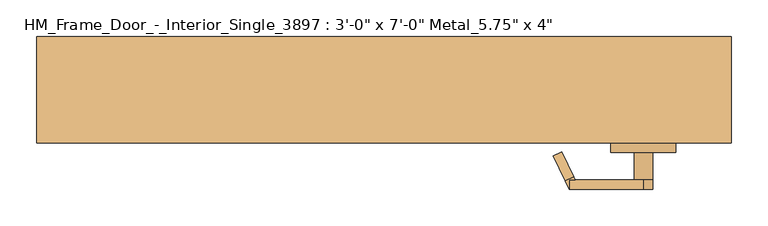
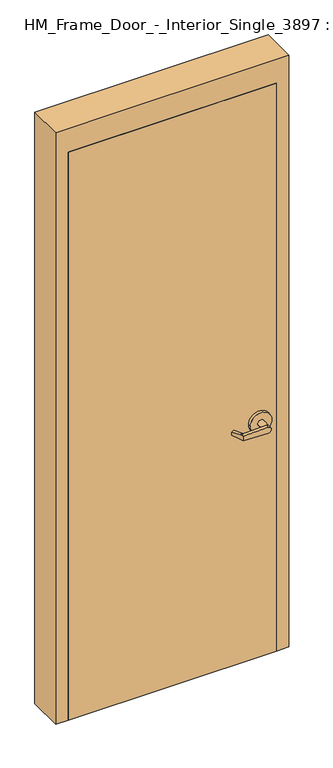
"""IFC4 building model written with IfcOpenShell, lengths in millimetres: door geometry."""

import ifcopenshell
import ifcopenshell.guid

model = None  # the IFC model being written
_history = None  # IfcOwnerHistory: only IFC2X3 demands one
_inside = {}  # id of a spatial element -> (the spatial element, [elements in it])
_under = {}  # id of a project, library or spatial element -> (it, [spatial elements below it])
_declared = {}  # id of a project -> (the project, [libraries it declares])
_typed = {}  # id of a type object -> (the type object, [elements of that type])
_made_of = {}  # id of a material, layer set ... -> (it, [elements and type objects made of it])


def new_model(schema):
    """Start an empty IFC model of exactly this schema.

    Asked for "IFC4X3", IfcOpenShell would pick the latest addendum, in which some entities
    have other attributes; the version numbers below select the first issue.
    IFC2X3 requires an IfcOwnerHistory on every rooted entity: one is made here for all.
    """
    global model, _history
    if schema == "IFC4X3":
        model = ifcopenshell.file(schema_version=(4, 3, 0, 0))
    else:
        model = ifcopenshell.file(schema=schema)
    _inside.clear()
    _under.clear()
    _declared.clear()
    _typed.clear()
    _made_of.clear()
    _history = None
    if model.schema == "IFC2X3":
        org = make("IfcOrganization", Name="unknown")
        user = make(
            "IfcPersonAndOrganization",
            ThePerson=make("IfcPerson", FamilyName="unknown"),
            TheOrganization=org,
        )
        app = make(
            "IfcApplication",
            ApplicationDeveloper=org,
            Version="unknown",
            ApplicationFullName="unknown",
            ApplicationIdentifier="unknown",
        )
        _history = make(
            "IfcOwnerHistory",
            OwningUser=user,
            OwningApplication=app,
            ChangeAction="ADDED",
            CreationDate=0,
        )
    return model


def make(cls, **values):
    """One entity of the class cls with the attributes given. An attribute that is None is left unset."""
    return model.create_entity(
        cls, **{name: value for name, value in values.items() if value is not None}
    )


def rooted(cls, **values):
    """An entity with a GlobalId (a new one), such as an element, a storey or a relation."""
    return make(cls, GlobalId=ifcopenshell.guid.new(), OwnerHistory=_history, **values)


def si_unit(unit_type, name, prefix=None):
    """IfcSIUnit, for example si_unit("LENGTHUNIT", "METRE", prefix="MILLI")."""
    return make("IfcSIUnit", UnitType=unit_type, Prefix=prefix, Name=name)


def assignment(units):
    """IfcUnitAssignment: the units of a project."""
    return None if units is None else make("IfcUnitAssignment", Units=units)


def point(xyz):
    """IfcCartesianPoint."""
    return None if xyz is None else make("IfcCartesianPoint", Coordinates=xyz)


def direction(xyz):
    """IfcDirection."""
    return None if xyz is None else make("IfcDirection", DirectionRatios=xyz)


def frame(location, z_axis=None, x_axis=None):
    """IfcAxis2Placement3D, a coordinate frame: its origin and axes. An axis left out is left unset."""
    return make(
        "IfcAxis2Placement3D",
        Location=point(location),
        Axis=direction(z_axis),
        RefDirection=direction(x_axis),
    )


def origin():
    """The frame at (0, 0, 0) with its axes left unset."""
    return frame((0.0, 0.0, 0.0))


def origin_with_axes():
    """The frame at (0, 0, 0) with the z axis (0, 0, 1) and the x axis (1, 0, 0) written out."""
    return frame((0.0, 0.0, 0.0), z_axis=(0.0, 0.0, 1.0), x_axis=(1.0, 0.0, 0.0))


def place(relative_to, where):
    """IfcLocalPlacement: puts the frame where relative to a parent placement (None: the world)."""
    return make(
        "IfcLocalPlacement", PlacementRelTo=relative_to, RelativePlacement=where
    )


def context(
    kind, dimensions, precision=None, world=None, true_north=None, identifier=None
):
    """IfcGeometricRepresentationContext, for example the 3D "Model" context."""
    return make(
        "IfcGeometricRepresentationContext",
        ContextIdentifier=identifier,
        ContextType=kind,
        CoordinateSpaceDimension=dimensions,
        Precision=precision,
        WorldCoordinateSystem=world,
        TrueNorth=true_north,
    )


def project(units=None, contexts=None):
    """IfcProject with its units and contexts."""
    return rooted(
        "IfcProject",
        Name="project",
        RepresentationContexts=contexts,
        UnitsInContext=assignment(units),
    )


def spatial(cls, under=None, at=None, **own):
    """A site, building, storey or space (cls), placed at a placement, below another one or the project."""
    s = rooted(cls, ObjectPlacement=at, **own)
    if under is not None:
        _under.setdefault(under.id(), (under, []))[1].append(s)
    return s


def polyline(points):
    """IfcPolyline through the points."""
    return make("IfcPolyline", Points=[point(p) for p in points])


def circle_curve(where, radius):
    """IfcCircle in the frame where."""
    return make("IfcCircle", Position=where, Radius=radius)


def outline(outer, holes=None, kind="AREA"):
    """IfcArbitraryClosedProfileDef: a profile drawn as a closed curve; with holes, ...WithVoids."""
    if holes is None:
        return make("IfcArbitraryClosedProfileDef", ProfileType=kind, OuterCurve=outer)
    return make(
        "IfcArbitraryProfileDefWithVoids",
        ProfileType=kind,
        OuterCurve=outer,
        InnerCurves=holes,
    )


def extrude(swept, where, along, depth):
    """IfcExtrudedAreaSolid: the profile swept, set in the frame where, extruded along a direction by depth."""
    return make(
        "IfcExtrudedAreaSolid",
        SweptArea=swept,
        Position=where,
        ExtrudedDirection=direction(along),
        Depth=depth,
    )


def faces_of(points, faces, orient=None, outer=None):
    """IfcFace entities. A face is a list of loops; a loop is a list of indices into points, from 0.

    orient and outer hold one flag for each loop. By default every Orientation is true, the
    first loop of a face is its IfcFaceOuterBound and the others are IfcFaceBound.
    """
    made = []
    for i, loops in enumerate(faces):
        bounds = []
        for j, loop in enumerate(loops):
            is_outer = j == 0 if outer is None else outer[i][j]
            bounds.append(
                make(
                    "IfcFaceOuterBound" if is_outer else "IfcFaceBound",
                    Bound=make("IfcPolyLoop", Polygon=[points[k] for k in loop]),
                    Orientation=True if orient is None else orient[i][j],
                )
            )
        made.append(make("IfcFace", Bounds=bounds))
    return made


def faceted_brep(points, faces, orient=None, outer=None, voids=None):
    """IfcFacetedBrep: a solid bounded by flat faces; with voids (closed shells), ...WithVoids."""
    shared = [point(p) for p in points]
    hull = make("IfcClosedShell", CfsFaces=faces_of(shared, faces, orient, outer))
    if voids is None:
        return make("IfcFacetedBrep", Outer=hull)
    return make(
        "IfcFacetedBrepWithVoids",
        Outer=hull,
        Voids=[
            make(cls, CfsFaces=faces_of(shared, fs, o, b)) for cls, fs, o, b in voids
        ],
    )


def shape(context_of_items, identifier, shape_type, items):
    """IfcShapeRepresentation: the items that make up one representation, for example the "Body"."""
    return make(
        "IfcShapeRepresentation",
        ContextOfItems=context_of_items,
        RepresentationIdentifier=identifier,
        RepresentationType=shape_type,
        Items=items,
    )


def source(mapping_origin, context_of_items, identifier, shape_type, items):
    """IfcRepresentationMap: a shape defined once, which mapped items show again and again."""
    return make(
        "IfcRepresentationMap",
        MappingOrigin=mapping_origin,
        MappedRepresentation=shape(context_of_items, identifier, shape_type, items),
    )


def transform(
    local_origin,
    x_axis=None,
    y_axis=None,
    z_axis=None,
    scale=None,
    scale2=None,
    scale3=None,
    uniform=True,
):
    """IfcCartesianTransformationOperator3D, or its non-uniform kind. x_axis, y_axis, z_axis: its Axis1, 2, 3."""
    if uniform:
        return make(
            "IfcCartesianTransformationOperator3D",
            Axis1=direction(x_axis),
            Axis2=direction(y_axis),
            LocalOrigin=point(local_origin),
            Scale=scale,
            Axis3=direction(z_axis),
        )
    return make(
        "IfcCartesianTransformationOperator3DnonUniform",
        Axis1=direction(x_axis),
        Axis2=direction(y_axis),
        LocalOrigin=point(local_origin),
        Scale=scale,
        Axis3=direction(z_axis),
        Scale2=scale2,
        Scale3=scale3,
    )


def mapped(mapping_source, mapping_target):
    """IfcMappedItem: shows the shape of a source again, moved by a transform."""
    return make(
        "IfcMappedItem", MappingSource=mapping_source, MappingTarget=mapping_target
    )


def made_of(thing, what):
    """Note that an element or type object is made of a material, layer set ...; save() writes the relation."""
    if what is not None:
        _made_of.setdefault(what.id(), (what, []))[1].append(thing)
    return thing


def element(
    cls,
    number,
    at=None,
    inside=None,
    cuts=None,
    type_object=None,
    material=None,
    context=None,
    identifier="Body",
    shape_type=None,
    held_by="IfcProductDefinitionShape",
    body=None,
    shapes=None,
    **own,
):
    """One element of the class cls, such as IfcWall. Its Tag is "e" and its number.

    at: its placement. inside: the storey or other place that contains it. cuts: it is an
    opening in that element (IfcRelVoidsElement). A single representation is given by context,
    identifier, shape_type and body (its items); several are given by shapes. held_by: the class
    of the entity that holds the representations. save() writes the other relations.
    """
    e = rooted(cls, Tag="e%d" % number, ObjectPlacement=at, **own)
    if body is not None:
        shapes = [shape(context, identifier, shape_type, body)]
    if shapes is not None:
        e.Representation = make(held_by, Representations=shapes)
    if inside is not None:
        _inside.setdefault(inside.id(), (inside, []))[1].append(e)
    if cuts is not None:
        rooted(
            "IfcRelVoidsElement", RelatingBuildingElement=cuts, RelatedOpeningElement=e
        )
    if type_object is not None:
        _typed.setdefault(type_object.id(), (type_object, []))[1].append(e)
    return made_of(e, material)


def aggregate(whole, parts):
    """IfcRelAggregates: a whole, such as a stair, and the parts it consists of."""
    return rooted("IfcRelAggregates", RelatingObject=whole, RelatedObjects=parts)


def save(model, path):
    """Write the relations noted so far, then the file.

    IfcRelAggregates (storeys below a building ...), IfcRelContainedInSpatialStructure (elements
    in a storey), IfcRelDefinesByType, IfcRelAssociatesMaterial and IfcRelDeclares: one each for
    every whole, place, type object, material and project.
    """
    for whole, parts in _under.values():
        aggregate(whole, parts)
    for where, things in _inside.values():
        rooted(
            "IfcRelContainedInSpatialStructure",
            RelatedElements=things,
            RelatingStructure=where,
        )
    for kind, things in _typed.values():
        rooted("IfcRelDefinesByType", RelatedObjects=things, RelatingType=kind)
    for what, things in _made_of.values():
        rooted("IfcRelAssociatesMaterial", RelatedObjects=things, RelatingMaterial=what)
    for by, libraries in _declared.values():
        rooted("IfcRelDeclares", RelatingContext=by, RelatedDefinitions=libraries)
    model.write(path)


def plane_surface(at):
    """IfcPlane: the flat surface through the origin of the frame at, square to its z axis."""
    return make("IfcPlane", Position=at)


def cylinder_surface(at, radius):
    """IfcCylindricalSurface: all points at the distance radius from the z axis of the frame at."""
    return make("IfcCylindricalSurface", Position=at, Radius=radius)


def advanced_brep(points, edges, surfaces, faces):
    """IfcAdvancedBrep: a solid bounded by faces that lie on surfaces and meet in shared edges.

    An edge is (start, end): straight between two places in points (the first is 0);
    or (start, end, curve); or (start, end, curve, False) where it runs against its curve.
    A face is (place in surfaces, loops), or (place, loops, False) where it looks against
    its surface's normal. A loop lists edges by number (the first is 1), with a minus sign
    where the edge is run from its end to its start. The first loop is the outer one.
    """
    corners = [point(p) for p in points]
    vertices = [make("IfcVertexPoint", VertexGeometry=c) for c in corners]
    made = []
    for start, end, *more in edges:
        made.append(
            make(
                "IfcEdgeCurve",
                EdgeStart=vertices[start],
                EdgeEnd=vertices[end],
                EdgeGeometry=more[0] if more else make("IfcPolyline", Points=[corners[start], corners[end]]),
                SameSense=more[1] if len(more) > 1 else True,
            )
        )
    hull = []
    for where, loops, *sense in faces:
        bounds = []
        for j, loop in enumerate(loops):
            ring = [make("IfcOrientedEdge", EdgeElement=made[abs(k) - 1], Orientation=k > 0) for k in loop]
            bounds.append(
                make(
                    "IfcFaceOuterBound" if j == 0 else "IfcFaceBound",
                    Bound=make("IfcEdgeLoop", EdgeList=ring),
                    Orientation=True,
                )
            )
        hull.append(make("IfcAdvancedFace", Bounds=bounds, FaceSurface=surfaces[where], SameSense=sense[0] if sense else True))
    return make("IfcAdvancedBrep", Outer=make("IfcClosedShell", CfsFaces=hull))


def door_a8110ece(model_context):
    return source(origin(), model_context, "Body", "SolidModel", [
        advanced_brep(
        [(259.692857, 18.0476392, 1006.475), (261.6407923, 22.225, 1006.475), (261.6407923, 22.225, 1025.525), (259.692857, 18.0476392, 1025.525), (243.5911012, -16.4826875, 1022.35), (243.5911012, -16.4826875, 1009.65), (253.55, 34.925, 1025.525), (253.55, 34.925, 1006.475), (248.1827481, 23.4148911, 1006.475), (232.0809923, -11.1154356, 1009.65), (232.0809923, -11.1154356, 1022.35), (248.1827481, 23.4148911, 1025.525), (253.55, 22.225, 1006.475), (253.55, 22.225, 1025.525), (354.7525418, 34.925, 1028.6937791), (354.7525418, 34.925, 1003.3062209), (354.7525418, 22.225, 1003.3062209), (342.45, 22.225, 1016.0), (354.7525418, 22.225, 1028.6937791), (367.85, 22.225, 1016.0), (342.45, -15.875, 1016.0), (367.85, -15.875, 1016.0), (399.6, -15.875, 1016.0), (310.7, -15.875, 1016.0), (399.6, -28.575, 1016.0), (310.7, -28.575, 1016.0)],
        [
            (0, 1),
            (1, 2),
            (2, 3),
            (3, 4),
            (4, 5),
            (5, 0),
            (6, 7),
            (7, 8),
            (8, 9),
            (9, 10),
            (10, 11),
            (11, 6),
            (7, 12),
            (12, 1),
            (0, 8),
            (5, 9),
            (4, 10),
            (3, 11),
            (2, 13),
            (13, 6),
            (6, 14),
            (14, 15, circle_curve(frame((355.15, 34.925, 1016.0), z_axis=(0.0, 1.0, 0.0), x_axis=(-1.0, 0.0, 0.0)), 12.7)),
            (15, 7),
            (12, 16),
            (16, 17, circle_curve(frame((355.15, 22.225, 1016.0), z_axis=(0.0, 1.0, 0.0), x_axis=(-1.0, 0.0, 0.0)), 12.7)),
            (17, 18, circle_curve(frame((355.15, 22.225, 1016.0), z_axis=(0.0, 1.0, 0.0), x_axis=(-1.0, 0.0, 0.0)), 12.7)),
            (18, 13),
            (15, 16),
            (14, 18),
            (18, 19, circle_curve(frame((355.15, 22.225, 1016.0), z_axis=(0.0, 1.0, 0.0), x_axis=(-1.0, 0.0, 0.0)), 12.7)),
            (19, 16, circle_curve(frame((355.15, 22.225, 1016.0), z_axis=(0.0, 1.0, 0.0), x_axis=(-1.0, 0.0, 0.0)), 12.7)),
            (17, 20),
            (20, 21, circle_curve(frame((355.15, -15.875, 1016.0), z_axis=(0.0, 1.0, 0.0), x_axis=(-1.0, 0.0, 0.0)), 12.7)),
            (21, 19),
            (21, 20, circle_curve(frame((355.15, -15.875, 1016.0), z_axis=(0.0, 1.0, 0.0), x_axis=(-1.0, 0.0, 0.0)), 12.7)),
            (22, 23, circle_curve(frame((355.15, -15.875, 1016.0), z_axis=(0.0, 1.0, 0.0), x_axis=(-1.0, 0.0, 0.0)), 44.45)),
            (23, 22, circle_curve(frame((355.15, -15.875, 1016.0), z_axis=(0.0, 1.0, 0.0), x_axis=(-1.0, 0.0, 0.0)), 44.45)),
            (24, 25, circle_curve(frame((355.15, -28.575, 1016.0), z_axis=(0.0, -1.0, 0.0), x_axis=(-1.0, 0.0, 0.0)), 44.45)),
            (25, 24, circle_curve(frame((355.15, -28.575, 1016.0), z_axis=(0.0, -1.0, 0.0), x_axis=(-1.0, 0.0, 0.0)), 44.45)),
            (23, 25),
            (24, 22),
        ],
        [
            plane_surface(frame((265.0601089, 29.5577481, 1006.475), z_axis=(0.9063077870366494, -0.4226182617407007, 0.0), x_axis=(0.0, 0.0, -1.0))),
            plane_surface(frame((253.55, 34.925, 1006.475), z_axis=(-0.9063077870366494, 0.4226182617407007, 0.0), x_axis=(0.0, 0.0, 1.0))),
            plane_surface(frame((265.0601089, 29.5577481, 1006.475), z_axis=(0.0, 0.0, -1.0000000000000002), x_axis=(-0.9063077870366494, 0.42261826174070094, 0.0))),
            plane_surface(frame((259.692857, 18.0476392, 1006.475), z_axis=(-0.035096536341209586, -0.07526476506963879, -0.9965457582448799), x_axis=(-0.9063077870366494, 0.42261826174070094, 0.0))),
            plane_surface(frame((243.5911012, -16.4826875, 1009.65), z_axis=(-0.42261826174070094, -0.9063077870366494, 0.0), x_axis=(-0.9063077870366494, 0.42261826174070094, 0.0))),
            plane_surface(frame((243.5911012, -16.4826875, 1022.35), z_axis=(-0.03509653634121044, -0.07526476506964089, 0.9965457582448796), x_axis=(-0.9063077870366495, 0.42261826174070033, 0.0))),
            plane_surface(frame((259.692857, 18.0476392, 1025.525), z_axis=(0.0, 0.0, 1.0000000000000002), x_axis=(-0.9063077870366494, 0.42261826174070094, 0.0))),
            plane_surface(frame((253.55, 34.925, 1006.475), z_axis=(0.0, 1.0, 0.0), x_axis=(0.9995101626549141, 0.0, -0.03129592225110647))),
            plane_surface(frame((253.55, 22.225, 1006.475), z_axis=(0.0, -1.0, 0.0), x_axis=(-0.9995101626549141, 0.0, 0.03129592225110647))),
            plane_surface(frame((253.55, 34.925, 1006.475), z_axis=(-0.03129592225110647, 0.0, -0.9995101626549141), x_axis=(0.0, -1.0, 0.0))),
            cylinder_surface(frame((355.15, 22.225, 1016.0), z_axis=(0.0, 1.0, 0.0), x_axis=(-1.0, 0.0, 0.0)), 12.7),
            plane_surface(frame((354.7525418, 34.925, 1028.6937791), z_axis=(-0.03129592225110282, 0.0, 0.9995101626549142), x_axis=(0.0, -1.0, 0.0))),
            cylinder_surface(frame((355.15, -15.875, 1016.0), z_axis=(0.0, 1.0, 0.0), x_axis=(-1.0, 0.0, 0.0)), 12.7),
            plane_surface(frame((310.7, -15.875, 1016.0), z_axis=(0.0, 1.0, 0.0), x_axis=(0.0, 0.0, -1.0))),
            plane_surface(frame((310.7, -28.575, 1016.0), z_axis=(0.0, -1.0, 0.0), x_axis=(0.0, 0.0, 1.0))),
            cylinder_surface(frame((355.15, -28.575, 1016.0), z_axis=(0.0, 1.0, 0.0), x_axis=(-1.0, 0.0, 0.0)), 44.45),
        ],
        [
            (0, [[1, 2, 3, 4, 5, 6]]),
            (1, [[7, 8, 9, 10, 11, 12]]),
            (2, [[13, 14, -1, 15, -8]]),
            (3, [[16, -9, -15, -6]]),
            (4, [[17, -10, -16, -5]]),
            (5, [[18, -11, -17, -4]]),
            (6, [[-18, -3, 19, 20, -12]]),
            (7, [[-7, 21, 22, 23]]),
            (8, [[-19, -2, -14, 24, 25, 26, 27]]),
            (9, [[28, -24, -13, -23]]),
            (10, [[29, 30, 31, -28, -22]]),
            (11, [[-20, -27, -29, -21]]),
            (12, [[-30, -26, 32, 33, 34]]),
            (12, [[35, -32, -25, -31, -34]]),
            (13, [[36, 37], [-35, -33]]),
            (14, [[38, 39]]),
            (15, [[40, -38, 41, -37]]),
            (15, [[-41, -39, -40, -36]]),
        ],
    ),
        advanced_brep(
        [(259.692857, -119.6476392, 1025.525), (261.6407923, -123.825, 1025.525), (261.6407923, -123.825, 1006.475), (259.692857, -119.6476392, 1006.475), (243.5911012, -85.1173125, 1009.65), (243.5911012, -85.1173125, 1022.35), (253.55, -136.525, 1006.475), (253.55, -136.525, 1025.525), (248.1827481, -125.0148911, 1025.525), (232.0809923, -90.4845644, 1022.35), (232.0809923, -90.4845644, 1009.65), (248.1827481, -125.0148911, 1006.475), (253.55, -123.825, 1025.525), (253.55, -123.825, 1006.475), (354.7525418, -136.525, 1003.3062209), (354.7525418, -136.525, 1028.6937791), (354.7525418, -123.825, 1028.6937791), (342.45, -123.825, 1016.0), (354.7525418, -123.825, 1003.3062209), (367.85, -123.825, 1016.0), (342.45, -85.725, 1016.0), (367.85, -85.725, 1016.0), (399.6, -85.725, 1016.0), (310.7, -85.725, 1016.0), (399.6, -73.025, 1016.0), (310.7, -73.025, 1016.0)],
        [
            (0, 1),
            (1, 2),
            (2, 3),
            (3, 4),
            (4, 5),
            (5, 0),
            (6, 7),
            (7, 8),
            (8, 9),
            (9, 10),
            (10, 11),
            (11, 6),
            (7, 12),
            (12, 1),
            (0, 8),
            (5, 9),
            (4, 10),
            (3, 11),
            (2, 13),
            (13, 6),
            (6, 14),
            (14, 15, circle_curve(frame((355.15, -136.525, 1016.0), z_axis=(0.0, -1.0, 0.0), x_axis=(-1.0, 0.0, 0.0)), 12.7)),
            (15, 7),
            (12, 16),
            (16, 17, circle_curve(frame((355.15, -123.825, 1016.0), z_axis=(0.0, -1.0, 0.0), x_axis=(-1.0, 0.0, 0.0)), 12.7)),
            (17, 18, circle_curve(frame((355.15, -123.825, 1016.0), z_axis=(0.0, -1.0, 0.0), x_axis=(-1.0, 0.0, 0.0)), 12.7)),
            (18, 13),
            (15, 16),
            (14, 18),
            (18, 19, circle_curve(frame((355.15, -123.825, 1016.0), z_axis=(0.0, -1.0, 0.0), x_axis=(-1.0, 0.0, 0.0)), 12.7)),
            (19, 16, circle_curve(frame((355.15, -123.825, 1016.0), z_axis=(0.0, -1.0, 0.0), x_axis=(-1.0, 0.0, 0.0)), 12.7)),
            (17, 20),
            (20, 21, circle_curve(frame((355.15, -85.725, 1016.0), z_axis=(0.0, -1.0, 0.0), x_axis=(-1.0, 0.0, 0.0)), 12.7)),
            (21, 19),
            (21, 20, circle_curve(frame((355.15, -85.725, 1016.0), z_axis=(0.0, -1.0, 0.0), x_axis=(-1.0, 0.0, 0.0)), 12.7)),
            (22, 23, circle_curve(frame((355.15, -85.725, 1016.0), z_axis=(0.0, -1.0, 0.0), x_axis=(-1.0, 0.0, 0.0)), 44.45)),
            (23, 22, circle_curve(frame((355.15, -85.725, 1016.0), z_axis=(0.0, -1.0, 0.0), x_axis=(-1.0, 0.0, 0.0)), 44.45)),
            (24, 25, circle_curve(frame((355.15, -73.025, 1016.0), z_axis=(0.0, 1.0, 0.0), x_axis=(-1.0, 0.0, 0.0)), 44.45)),
            (25, 24, circle_curve(frame((355.15, -73.025, 1016.0), z_axis=(0.0, 1.0, 0.0), x_axis=(-1.0, 0.0, 0.0)), 44.45)),
            (23, 25),
            (24, 22),
        ],
        [
            plane_surface(frame((265.0601089, -131.1577481, 1025.525), z_axis=(0.9063077870366494, 0.4226182617407007, 0.0), x_axis=(0.0, 0.0, 1.0))),
            plane_surface(frame((253.55, -136.525, 1025.525), z_axis=(-0.9063077870366494, -0.4226182617407007, 0.0), x_axis=(0.0, 0.0, -1.0))),
            plane_surface(frame((265.0601089, -131.1577481, 1025.525), z_axis=(0.0, 0.0, 1.0000000000000002), x_axis=(-0.9063077870366494, -0.42261826174070094, 0.0))),
            plane_surface(frame((259.692857, -119.6476392, 1025.525), z_axis=(-0.03509653634120952, 0.07526476506963879, 0.9965457582448799), x_axis=(-0.9063077870366494, -0.42261826174070094, 0.0))),
            plane_surface(frame((243.5911012, -85.1173125, 1022.35), z_axis=(-0.42261826174070094, 0.9063077870366494, 0.0), x_axis=(-0.9063077870366494, -0.42261826174070094, 0.0))),
            plane_surface(frame((243.5911012, -85.1173125, 1009.65), z_axis=(-0.03509653634121051, 0.07526476506964089, -0.9965457582448796), x_axis=(-0.9063077870366495, -0.42261826174070033, 0.0))),
            plane_surface(frame((259.692857, -119.6476392, 1006.475), z_axis=(0.0, 0.0, -1.0000000000000002), x_axis=(-0.9063077870366494, -0.42261826174070094, 0.0))),
            plane_surface(frame((253.55, -136.525, 1025.525), z_axis=(0.0, -1.0, 0.0), x_axis=(0.9995101626549141, 0.0, 0.0312959222511064))),
            plane_surface(frame((253.55, -123.825, 1025.525), z_axis=(0.0, 1.0, 0.0), x_axis=(-0.9995101626549141, 0.0, -0.0312959222511064))),
            plane_surface(frame((253.55, -136.525, 1025.525), z_axis=(-0.0312959222511064, 0.0, 0.9995101626549141), x_axis=(0.0, 1.0, 0.0))),
            cylinder_surface(frame((355.15, -123.825, 1016.0), z_axis=(0.0, -1.0, 0.0), x_axis=(-1.0, 0.0, 0.0)), 12.7),
            plane_surface(frame((354.7525418, -136.525, 1003.3062209), z_axis=(-0.03129592225110289, 0.0, -0.9995101626549142), x_axis=(0.0, 1.0, 0.0))),
            cylinder_surface(frame((355.15, -85.725, 1016.0), z_axis=(0.0, -1.0, 0.0), x_axis=(-1.0, 0.0, 0.0)), 12.7),
            plane_surface(frame((310.7, -85.725, 1016.0), z_axis=(0.0, -1.0, 0.0), x_axis=(0.0, 0.0, 1.0))),
            plane_surface(frame((310.7, -73.025, 1016.0), z_axis=(0.0, 1.0, 0.0), x_axis=(0.0, 0.0, -1.0))),
            cylinder_surface(frame((355.15, -73.025, 1016.0), z_axis=(0.0, -1.0, 0.0), x_axis=(-1.0, 0.0, 0.0)), 44.45),
        ],
        [
            (0, [[1, 2, 3, 4, 5, 6]]),
            (1, [[7, 8, 9, 10, 11, 12]]),
            (2, [[13, 14, -1, 15, -8]]),
            (3, [[16, -9, -15, -6]]),
            (4, [[17, -10, -16, -5]]),
            (5, [[18, -11, -17, -4]]),
            (6, [[-18, -3, 19, 20, -12]]),
            (7, [[-7, 21, 22, 23]]),
            (8, [[-19, -2, -14, 24, 25, 26, 27]]),
            (9, [[28, -24, -13, -23]]),
            (10, [[29, 30, 31, -28, -22]]),
            (11, [[-20, -27, -29, -21]]),
            (12, [[-30, -26, 32, 33, 34]]),
            (12, [[35, -32, -25, -31, -34]]),
            (13, [[36, 37], [-35, -33]]),
            (14, [[38, 39]]),
            (15, [[40, -38, 41, -37]]),
            (15, [[-41, -39, -40, -36]]),
        ],
    ),
        extrude(outline(polyline([(-425.0, -73.025), (-425.0, -28.575), (425.0, -28.575), (425.0, -73.025), (-425.0, -73.025)])), origin_with_axes(), (0.0, 0.0, 1.0), 2450.0),
        faceted_brep([(-425.0, -73.025, 0.0), (-475.8, -73.025, 0.0), (-475.8, 73.025, 0.0), (-425.0, 73.025, 0.0), (-425.0, 28.575, 0.0), (-409.125, 28.575, 0.0), (-409.125, -28.575, 0.0), (-425.0, -28.575, 0.0), (-425.0, -28.575, 2450.0), (-425.0, -73.025, 2450.0), (-409.125, -28.575, 2434.125), (409.125, -28.575, 2434.125), (409.125, -28.575, 0.0), (425.0, -28.575, 0.0), (425.0, -28.575, 2450.0), (-409.125, 28.575, 2434.125), (-425.0, 28.575, 2450.0), (425.0, 28.575, 2450.0), (425.0, 28.575, 0.0), (409.125, 28.575, 0.0), (409.125, 28.575, 2434.125), (-425.0, 73.025, 2450.0), (-475.8, 73.025, 2551.6), (475.8, 73.025, 2551.6), (475.8, 73.025, 0.0), (425.0, 73.025, 0.0), (425.0, 73.025, 2450.0), (-475.8, -73.025, 2551.6), (425.0, -73.025, 2450.0), (425.0, -73.025, 0.0), (475.8, -73.025, 0.0), (475.8, -73.025, 2551.6)], [[[0, 1, 2, 3, 4, 5, 6, 7]], [[7, 8, 9, 0]], [[6, 10, 11, 12, 13, 14, 8, 7]], [[5, 15, 10, 6]], [[4, 16, 17, 18, 19, 20, 15, 5]], [[3, 21, 16, 4]], [[2, 22, 23, 24, 25, 26, 21, 3]], [[1, 27, 22, 2]], [[0, 9, 28, 29, 30, 31, 27, 1]], [[29, 28, 14, 13]], [[29, 13, 12, 19, 18, 25, 24, 30]], [[12, 11, 20, 19]], [[17, 26, 25, 18]], [[30, 24, 23, 31]], [[23, 22, 27, 31]], [[21, 26, 17, 16]], [[15, 20, 11, 10]], [[14, 28, 9, 8]]]),
    ])


if __name__ == "__main__":
    model = new_model("IFC4")
    model_context = context("Model", 3, world=origin())
    ifc_project = project(units=[si_unit("LENGTHUNIT", "METRE", prefix="MILLI")], contexts=[model_context])
    site = spatial("IfcSite", under=ifc_project)
    building = spatial("IfcBuilding", under=site)
    placement = place(None, origin())
    door_shape = door_a8110ece(model_context)
    element("IfcDoor", 1, ObjectType="HM_Frame_Door_-_Interior_Single_3897 : 3'-0\" x 7'-0\" Metal_5.75\" x 4\"", at=placement, inside=building, context=model_context, shape_type="MappedRepresentation", body=[
        mapped(door_shape, transform((0.0, 0.0, 0.0), x_axis=(1.0, 0.0, 0.0), y_axis=(0.0, 1.0, 0.0), z_axis=(0.0, 0.0, 1.0))),
    ])
    save(model, "model.ifc")
